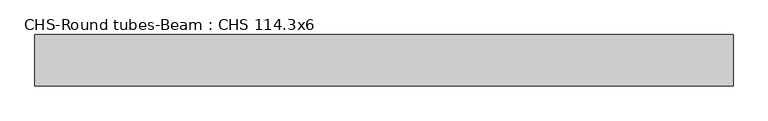
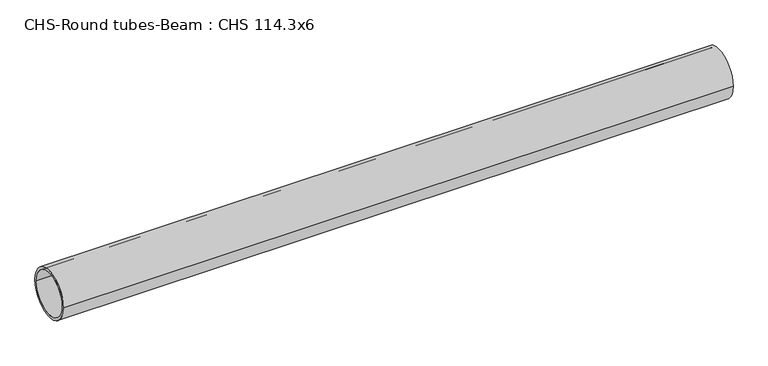
"""IFC4 building model written with IfcOpenShell, lengths in millimetres: beam geometry, CHS-Round tubes-Beam : CHS 114.3x6."""

from ifc_helpers import new_model, si_unit, point, frame, origin, origin_2d, place, context, project, spatial, circle_curve, trimmed, segment, composite_curve, outline, extrude, source, transform, mapped, element, save


def chs_round_tubes_beam_chs_114_3x6_b9f01938(model_context):
    return source(origin(), model_context, "Body", "SweptSolid", [
        extrude(outline(composite_curve([segment(trimmed(circle_curve(origin_2d(), 57.15), [point((57.15, 0.0))], [point((-57.15, 0.0))], False, "CARTESIAN"), True, "CONTINUOUS"), segment(trimmed(circle_curve(origin_2d(), 57.15), [point((-57.15, 0.0))], [point((57.15, 0.0))], False, "CARTESIAN"), True, "CONTINUOUS")], self_intersect=False), holes=[composite_curve([segment(trimmed(circle_curve(origin_2d(), 51.15), [point((51.15, 0.0))], [point((-51.15, 0.0))], True, "CARTESIAN"), True, "CONTINUOUS"), segment(trimmed(circle_curve(origin_2d(), 51.15), [point((-51.15, 0.0))], [point((51.15, 0.0))], True, "CARTESIAN"), True, "CONTINUOUS")], self_intersect=False)]), frame((-773.3616203, 0.0, 0.0), z_axis=(1.0, 0.0, 0.0), x_axis=(0.0, 1.0, 0.0)), (0.0, 0.0, 1.0), 1557.2270512),
    ])


if __name__ == "__main__":
    model = new_model("IFC4")
    model_context = context("Model", 3, world=origin())
    ifc_project = project(units=[si_unit("LENGTHUNIT", "METRE", prefix="MILLI")], contexts=[model_context])
    site = spatial("IfcSite", under=ifc_project)
    building = spatial("IfcBuilding", under=site)
    placement = place(None, origin())
    chs_round_tubes_beam_chs_114_3x6_shape = chs_round_tubes_beam_chs_114_3x6_b9f01938(model_context)
    element("IfcBeam", 1, ObjectType="CHS-Round tubes-Beam : CHS 114.3x6", at=placement, inside=building, context=model_context, shape_type="MappedRepresentation", body=[
        mapped(chs_round_tubes_beam_chs_114_3x6_shape, transform((0.0, 0.0, 0.0), x_axis=(1.0, 0.0, 0.0), y_axis=(0.0, 1.0, 0.0), z_axis=(0.0, 0.0, 1.0))),
    ])
    save(model, "model.ifc")
